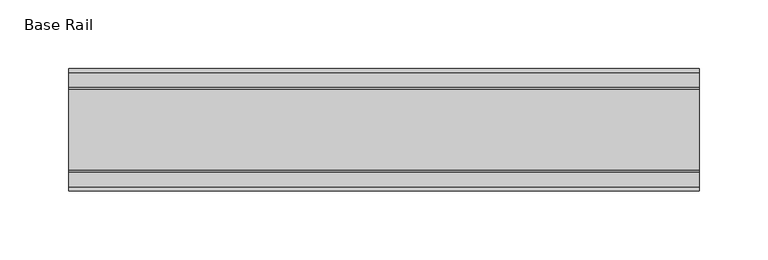
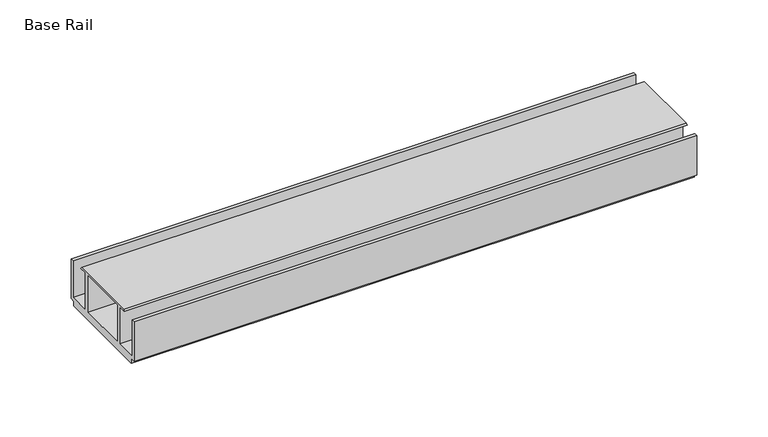
"""IFC4 building model written with IfcOpenShell, lengths in millimetres: furniture geometry, Base Rail."""

from ifc_helpers import new_model, si_unit, frame, origin, place, context, project, spatial, polyline, outline, extrude, source, transform, mapped, element, save


def base_rail_c60569ff(model_context):
    return source(origin(), model_context, "Body", "SweptSolid", [
        extrude(outline(polyline([(-28.948195, 4.0000001), (-28.948195, 38.1), (-26.1481963, 38.1), (-26.1481963, 6.6000002), (-8.7481957, 6.6000002), (-8.7481957, 38.1), (-5.4481956, 38.1), (-5.4481956, 6.6000002), (36.4518057, 6.6000002), (36.4518057, 38.5424102), (-15.1141535, 38.5424102), (-13.9690637, 39.6875), (44.9726737, 39.6875), (46.1177636, 38.5424102), (39.7518058, 38.5424102), (39.7518058, 6.6000002), (57.1518064, 6.6000002), (57.1518064, 38.1), (59.951805, 38.1), (59.951805, 4.0000001), (55.9518063, 4.0000001), (55.9518063, 0.0), (-24.9481962, 0.0), (-24.9481962, 4.0000001), (-28.948195, 4.0000001)])), frame((-198.6228469, 0.0, 0.0), z_axis=(1.0, 0.0, 0.0), x_axis=(0.0, 1.0, 0.0)), (0.0, 0.0, 1.0), 457.2),
    ])


if __name__ == "__main__":
    model = new_model("IFC4")
    model_context = context("Model", 3, world=origin())
    ifc_project = project(units=[si_unit("LENGTHUNIT", "METRE", prefix="MILLI")], contexts=[model_context])
    site = spatial("IfcSite", under=ifc_project)
    building = spatial("IfcBuilding", under=site)
    placement = place(None, origin())
    base_rail_shape = base_rail_c60569ff(model_context)
    element("IfcFurniture", 1, ObjectType="Base Rail", at=placement, inside=building, context=model_context, shape_type="MappedRepresentation", body=[
        mapped(base_rail_shape, transform((0.0, 0.0, 0.0), x_axis=(1.0, 0.0, 0.0), y_axis=(0.0, 1.0, 0.0), z_axis=(0.0, 0.0, 1.0))),
    ])
    save(model, "model.ifc")
